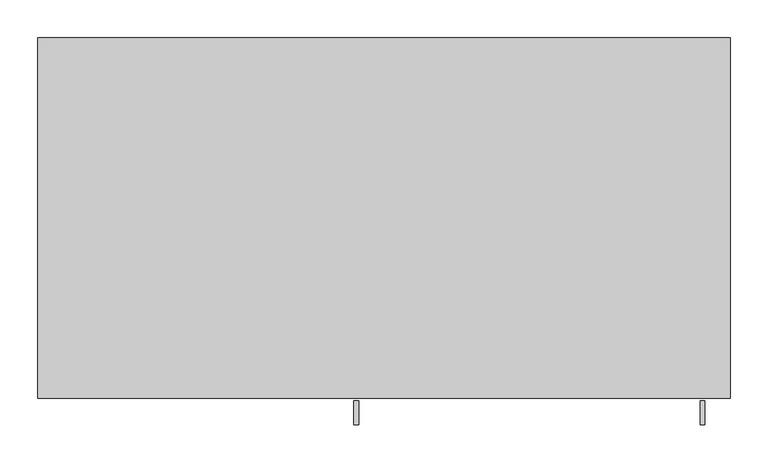
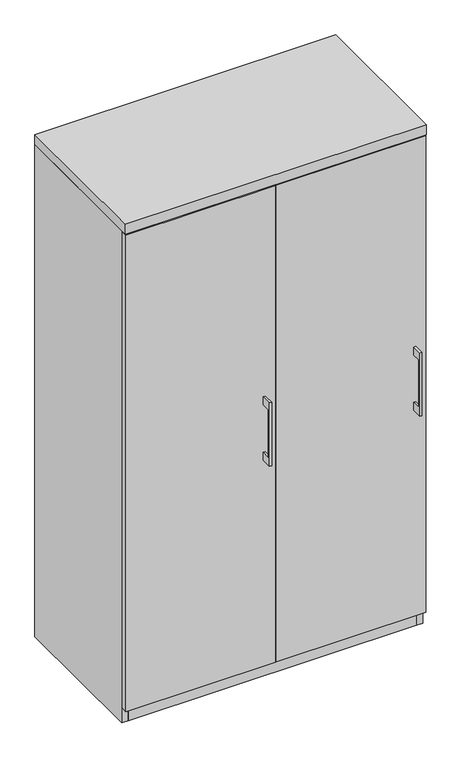
"""IFC4 building model written with IfcOpenShell, lengths in millimetres: furniture geometry."""

from ifc_helpers import new_model, si_unit, frame, origin, origin_with_axes, place, context, project, spatial, polyline, outline, extrude, source, transform, mapped, element, save


def furniture_36913050(model_context):
    return source(origin(), model_context, "Body", "SweptSolid", [
        extrude(outline(polyline([(-479.425, 889.0), (-504.8249758, 889.0), (-504.8249758, 736.6), (-479.425, 736.6), (-479.425, 711.2), (-511.1749879, 711.2), (-511.1749879, 914.4), (-479.425, 914.4), (-479.425, 889.0)])), frame((417.5125121, 0.0, 0.0), z_axis=(1.0, 0.0, 0.0), x_axis=(0.0, 1.0, 0.0)), (0.0, 0.0, 1.0), 6.3499758),
        extrude(outline(polyline([(455.6125, -476.25), (1.5875, -476.25), (1.5875, -457.2), (455.6125, -457.2), (455.6125, -476.25)])), frame((0.0, 0.0, 47.625), z_axis=(0.0, 0.0, 1.0), x_axis=(1.0, 0.0, 0.0)), (0.0, 0.0, 1.0), 1530.35),
        extrude(outline(polyline([(-479.425, 889.0), (-504.8249758, 889.0), (-504.8249758, 736.6), (-479.425, 736.6), (-479.425, 711.2), (-511.1749879, 711.2), (-511.1749879, 914.4), (-479.425, 914.4), (-479.425, 889.0)])), frame((-39.6874879, 0.0, 0.0), z_axis=(1.0, 0.0, 0.0), x_axis=(0.0, 1.0, 0.0)), (0.0, 0.0, 1.0), 6.3499758),
        extrude(outline(polyline([(-1.5875, -476.25), (-455.6125, -476.25), (-455.6125, -457.2), (-1.5875, -457.2), (-1.5875, -476.25)])), frame((0.0, 0.0, 47.625), z_axis=(0.0, 0.0, 1.0), x_axis=(1.0, 0.0, 0.0)), (0.0, 0.0, 1.0), 1530.35),
        extrude(outline(polyline([(9.525, -19.05), (9.525, -457.2), (-9.525, -457.2), (-9.525, -19.05), (9.525, -19.05)])), frame((0.0, 0.0, 47.625), z_axis=(0.0, 0.0, 1.0), x_axis=(1.0, 0.0, 0.0)), (0.0, 0.0, 1.0), 1533.525),
        extrude(outline(polyline([(438.15, -19.05), (438.15, -457.2), (-438.15, -457.2), (-438.15, -19.05), (438.15, -19.05)])), origin_with_axes(), (0.0, 0.0, 1.0), 47.625),
        extrude(outline(polyline([(457.2, 0.0), (457.2, -476.25), (-457.2, -476.25), (-457.2, 0.0), (457.2, 0.0)])), frame((0.0, 0.0, 1581.15), z_axis=(0.0, 0.0, 1.0), x_axis=(1.0, 0.0, 0.0)), (0.0, 0.0, 1.0), 31.75),
        extrude(outline(polyline([(457.2, 0.0), (457.2, -457.2), (438.15, -457.2), (438.15, -19.05), (-438.15, -19.05), (-438.15, -457.2), (-457.2, -457.2), (-457.2, 0.0), (457.2, 0.0)])), origin_with_axes(), (0.0, 0.0, 1.0), 1581.15),
    ])


if __name__ == "__main__":
    model = new_model("IFC4")
    model_context = context("Model", 3, world=origin())
    ifc_project = project(units=[si_unit("LENGTHUNIT", "METRE", prefix="MILLI")], contexts=[model_context])
    site = spatial("IfcSite", under=ifc_project)
    building = spatial("IfcBuilding", under=site)
    placement = place(None, origin())
    furniture_shape = furniture_36913050(model_context)
    element("IfcFurniture", 1, at=placement, inside=building, context=model_context, shape_type="MappedRepresentation", body=[
        mapped(furniture_shape, transform((0.0, 0.0, 0.0), x_axis=(1.0, 0.0, 0.0), y_axis=(0.0, 1.0, 0.0), z_axis=(0.0, 0.0, 1.0))),
    ])
    save(model, "model.ifc")
